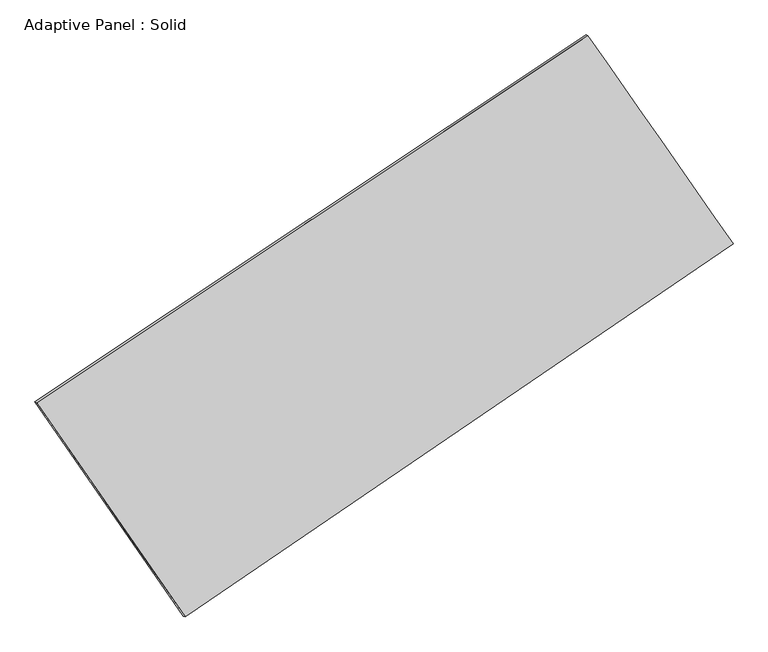
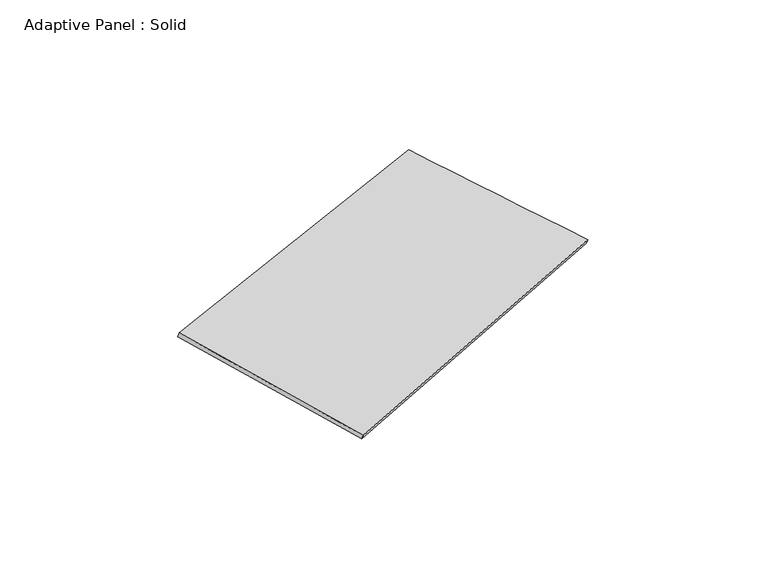
"""IFC4 building model written with IfcOpenShell, lengths in millimetres: plate geometry, Adaptive Panel : Solid."""

from ifc_helpers import new_model, si_unit, frame, origin, place, context, project, spatial, source, transform, mapped, element, save
from ifc_brep_helpers import plane_surface, spline_surface, advanced_brep


def adaptive_panel_solid_cc0464ec(model_context):
    return source(origin(), model_context, "Body", "AdvancedBrep", [
        advanced_brep(
        [(1130.7713931, 2446.5130253, 628.1197024), (-3726.1650661, -785.8048709, 1764.1398727), (-3711.4987103, -792.1849644, 1811.5127807), (1145.437749, 2440.1329318, 675.4926104), (-2417.4264141, -2674.1940607, 1038.3383749), (-2402.7600583, -2680.5741542, 1085.7112829), (2409.5295089, 613.2373335, 54.5245702), (2424.1958648, 606.8572401, 101.8974782)],
        [
            (0, 1),
            (1, 2),
            (2, 3),
            (3, 0),
            (1, 4),
            (4, 5),
            (5, 2),
            (4, 6),
            (6, 7),
            (7, 5),
            (6, 0),
            (3, 7),
        ],
        [
            plane_surface(frame((-1297.6968365, 830.3540772, 1196.1297876), z_axis=(-0.49088433123924985, 0.8303260593539329, 0.2638014565948489), x_axis=(-0.8171491692354558, -0.543817261299051, 0.19112828553357677))),
            plane_surface(frame((-3071.7957401, -1729.9994658, 1401.2391238), z_axis=(-0.7812567260390945, -0.6031864935515376, 0.16063617903721514), x_axis=(0.5431620685022366, -0.783732777282161, -0.3012273247133508))),
            plane_surface(frame((-3.9484526, -1030.4783636, 546.4314725), z_axis=(0.5047536109605819, -0.8209880908659576, -0.26683767889584903), x_axis=(0.8150363538810067, 0.5550860915052763, -0.16611794866825996))),
            plane_surface(frame((1770.150451, 1529.8751794, 341.3221363), z_axis=(0.7847353341060311, 0.5981812801483655, -0.16238722697785898), x_axis=(-0.5541446629670986, 0.7944426141195838, 0.24856513306560704))),
            spline_surface(1, 1, [[(-3711.4987103, -792.1849644, 1811.5127807), (1145.437749, 2440.1329318, 675.4926104)], [(-2402.7600583, -2680.5741542, 1085.7112829), (2424.1958648, 606.8572401, 101.8974782)]], [2, 2], [2, 2], [0.0, 1.0], [0.0, 1.0]),
            spline_surface(1, 1, [[(2409.5295089, 613.2373335, 54.5245702), (1130.7713931, 2446.5130253, 628.1197024)], [(-2417.4264141, -2674.1940607, 1038.3383749), (-3726.1650661, -785.8048709, 1764.1398727)]], [2, 2], [2, 2], [0.0, 1.0], [0.0, 1.0]),
        ],
        [
            (0, [[1, 2, 3, 4]]),
            (1, [[5, 6, 7, -2]]),
            (2, [[8, 9, 10, -6]]),
            (3, [[11, -4, 12, -9]]),
            (4, [[-3, -7, -10, -12]]),
            (5, [[-11, -8, -5, -1]]),
        ],
    ),
    ])


if __name__ == "__main__":
    model = new_model("IFC4")
    model_context = context("Model", 3, world=origin())
    ifc_project = project(units=[si_unit("LENGTHUNIT", "METRE", prefix="MILLI")], contexts=[model_context])
    site = spatial("IfcSite", under=ifc_project)
    building = spatial("IfcBuilding", under=site)
    placement = place(None, origin())
    adaptive_panel_solid_shape = adaptive_panel_solid_cc0464ec(model_context)
    element("IfcPlate", 1, ObjectType="Adaptive Panel : Solid", at=placement, inside=building, context=model_context, shape_type="MappedRepresentation", body=[
        mapped(adaptive_panel_solid_shape, transform((0.0, 0.0, 0.0), x_axis=(1.0, 0.0, 0.0), y_axis=(0.0, 1.0, 0.0), z_axis=(0.0, 0.0, 1.0))),
    ])
    save(model, "model.ifc")
